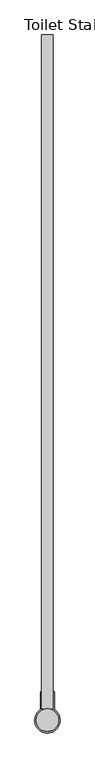
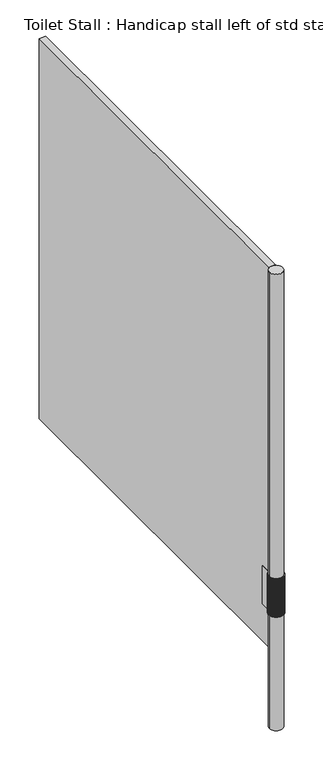
"""IFC4 building model written with IfcOpenShell, lengths in millimetres: proxy geometry, Toilet Stall : Handicap stall left of std stall."""

from ifc_helpers import new_model, si_unit, point, frame, frame_2d, origin, origin_with_axes, place, context, project, spatial, polyline, circle_curve, trimmed, segment, composite_curve, outline, extrude, faceted_brep, source, transform, mapped, element, save


def toilet_stall_handicap_stall_left_of_std_stall_e2613087(model_context):
    return source(origin(), model_context, "Body", "SolidModel", [
        faceted_brep([(-472.4935542, -1214.4375, 457.2), (-472.4935542, -1214.4375, 609.6), (-469.3185542, -1214.4375, 609.6), (-469.3185542, -1214.4375, 457.2), (-469.3185542, -1255.922836, 457.2), (-471.0324519, -1256.9923728, 457.2), (-472.7469617, -1258.2821375, 457.2), (-474.3466309, -1259.711856, 457.2), (-475.8200694, -1261.2713482, 457.2), (-477.1567857, -1262.9495098, 457.2), (-478.3472618, -1264.7343918, 457.2), (-479.3830211, -1266.6132849, 457.2), (-480.2566886, -1268.5728109, 457.2), (-480.9620435, -1270.599017, 457.2), (-481.4940632, -1272.677476, 457.2), (-481.8489598, -1274.7933884, 457.2), (-482.024206, -1276.9316881, 457.2), (-482.0185542, -1279.1157997, 457.2), (-481.819204, -1281.3250718, 457.2), (-481.4280615, -1283.5085624, 457.2), (-480.8481038, -1285.6496539, 457.2), (-480.0837446, -1287.7320512, 457.2), (-479.140801, -1289.739906, 457.2), (-478.0264496, -1291.6579375, 457.2), (-476.7491712, -1293.4715481, 457.2), (-475.3186866, -1295.1669352, 457.2), (-473.7458828, -1296.7311959, 457.2), (-472.0427296, -1298.1524253, 457.2), (-470.2221891, -1299.4198069, 457.2), (-468.2981167, -1300.5236951, 457.2), (-466.2851559, -1301.4556888, 457.2), (-464.1986263, -1302.2086948, 457.2), (-462.0544079, -1302.7769824, 457.2), (-459.8688193, -1303.1562265, 457.2), (-457.6584942, -1303.3435409, 457.2), (-455.4402545, -1303.3375, 457.2), (-453.2309824, -1303.1381497, 457.2), (-451.0474918, -1302.7470073, 457.2), (-448.9064004, -1302.1670496, 457.2), (-446.824003, -1301.4026903, 457.2), (-444.8161482, -1300.4597468, 457.2), (-442.8981167, -1299.3453954, 457.2), (-441.0845061, -1298.068117, 457.2), (-439.389119, -1296.6376324, 457.2), (-437.8248583, -1295.0648285, 457.2), (-436.4036289, -1293.3616754, 457.2), (-435.1362474, -1291.5411349, 457.2), (-434.0323591, -1289.6170625, 457.2), (-433.1003655, -1287.6041017, 457.2), (-432.3473594, -1285.5175721, 457.2), (-431.7790718, -1283.3733536, 457.2), (-431.3998277, -1281.187765, 457.2), (-431.2125133, -1278.97744, 457.2), (-431.2185542, -1276.7978504, 457.2), (-431.4050639, -1274.6605037, 457.2), (-431.7711033, -1272.5464904, 457.2), (-432.3140662, -1270.4708633, 457.2), (-433.0300865, -1268.4484014, 457.2), (-433.9140658, -1266.4935057, 457.2), (-434.9597098, -1264.6200956, 457.2), (-436.1595732, -1262.8415105, 457.2), (-437.5051125, -1261.1704148, 457.2), (-438.9867468, -1259.6187072, 457.2), (-440.5939265, -1258.1974365, 457.2), (-442.3152077, -1256.9167227, 457.2), (-443.9185542, -1255.922836, 457.2), (-443.9185542, -1214.4375, 457.2), (-440.7435542, -1214.4375, 457.2), (-440.7435542, -1254.1616628, 457.2), (-440.4098252, -1254.3699223, 457.2), (-438.4806138, -1255.8203408, 457.2), (-436.6805516, -1257.428242, 457.2), (-435.0224556, -1259.182177, 457.2), (-433.5181323, -1261.0696572, 457.2), (-432.1782928, -1263.077243, 457.2), (-431.0124775, -1265.1906396, 457.2), (-430.0289874, -1267.3947987, 457.2), (-429.2348253, -1269.674026, 457.2), (-428.6356459, -1272.0120924, 457.2), (-428.2357157, -1274.39235, 457.2), (-428.0378822, -1276.7978504, 457.2), (-428.0435542, -1279.254688, 457.2), (-428.2670912, -1281.740151, 457.2), (-428.7064, -1284.1966736, 457.2), (-429.3581371, -1286.6055601, 457.2), (-430.2173424, -1288.9484774, 457.2), (-431.2774769, -1291.2075945, 457.2), (-432.5304723, -1293.3657182, 457.2), (-433.9667925, -1295.4064239, 457.2), (-435.5755063, -1297.3141805, 457.2), (-437.3443705, -1299.0744688, 457.2), (-439.2599228, -1300.6738921, 457.2), (-441.3075848, -1302.1002776, 457.2), (-443.4717724, -1303.3427699, 457.2), (-445.7360151, -1304.3919127, 457.2), (-448.0830804, -1305.2397215, 457.2), (-450.4951059, -1305.8797438, 457.2), (-452.9537344, -1306.3071088, 457.2), (-455.4402545, -1306.518564, 457.2), (-457.9357422, -1306.5125, 457.2), (-460.4212052, -1306.288963, 457.2), (-462.8777278, -1305.8496543, 457.2), (-465.2866143, -1305.1979172, 457.2), (-467.6295316, -1304.3387118, 457.2), (-469.8886487, -1303.2785773, 457.2), (-472.0467724, -1302.0255819, 457.2), (-474.0874781, -1300.5892617, 457.2), (-475.9952347, -1298.9805479, 457.2), (-477.755523, -1297.2116837, 457.2), (-479.3549463, -1295.2961314, 457.2), (-480.7813319, -1293.2484695, 457.2), (-482.0238241, -1291.0842818, 457.2), (-483.0729669, -1288.8200391, 457.2), (-483.9207757, -1286.4729738, 457.2), (-484.560798, -1284.0609484, 457.2), (-484.988163, -1281.6023198, 457.2), (-485.1996182, -1279.1157997, 457.2), (-485.1935542, -1276.6635344, 457.2), (-484.9844172, -1274.2589904, 457.2), (-484.5733042, -1271.8806388, 457.2), (-483.9631426, -1269.5454143, 457.2), (-483.1582769, -1267.2699448, 457.2), (-482.1644381, -1265.0704324, 457.2), (-480.9887028, -1262.9625385, 457.2), (-479.6394425, -1260.9612721, 457.2), (-478.1262647, -1259.080883, 457.2), (-476.4599436, -1257.3347603, 457.2), (-474.6523441, -1255.7353371, 457.2), (-472.7163371, -1254.2940019, 457.2), (-472.4935542, -1254.1616628, 457.2), (-469.3185542, -1255.922836, 609.6), (-472.4935542, -1254.1616628, 609.6), (-472.7133342, -1254.2988139, 609.6), (-474.6489463, -1255.7398788, 609.6), (-476.456175, -1257.3389993, 609.6), (-478.1221521, -1259.0847892, 609.6), (-479.6350153, -1260.9648176, 609.6), (-480.9839924, -1262.9656982, 609.6), (-482.1594781, -1265.0731837, 609.6), (-483.1531026, -1267.2722682, 609.6), (-483.9577908, -1269.5472932, 609.6), (-484.5678131, -1271.8820597, 609.6), (-484.9788258, -1274.2599434, 609.6), (-485.1879024, -1276.6640126, 609.6), (-485.1935542, -1279.1157997, 609.6), (-484.9821221, -1281.6017913, 609.6), (-484.5548262, -1284.0598954, 609.6), (-483.9149183, -1286.4714043, 609.6), (-483.0672686, -1288.8179651, 609.6), (-482.0183283, -1291.081719, 609.6), (-480.7760803, -1293.2454375, 609.6), (-479.3499789, -1295.2926533, 609.6), (-477.7508777, -1297.2077859, 609.6), (-475.9909468, -1298.97626, 609.6), (-474.0835802, -1300.5846164, 609.6), (-472.0432943, -1302.0206146, 609.6), (-469.8856167, -1303.2733258, 609.6), (-467.6269689, -1304.333216, 609.6), (-465.2845403, -1305.1922189, 609.6), (-462.8761583, -1305.8437969, 609.6), (-460.4201522, -1306.2829911, 609.6), (-457.9352137, -1306.5064591, 609.6), (-455.4402545, -1306.5125, 609.6), (-452.954263, -1306.3010679, 609.6), (-450.4961589, -1305.8737719, 609.6), (-448.0846499, -1305.2338641, 609.6), (-445.7380891, -1304.3862144, 609.6), (-443.4743352, -1303.337274, 609.6), (-441.3106167, -1302.0950261, 609.6), (-439.2634009, -1300.6689247, 609.6), (-437.3482683, -1299.0698235, 609.6), (-435.5797942, -1297.3098926, 609.6), (-433.9714378, -1295.402526, 609.6), (-432.5354396, -1293.3622401, 609.6), (-431.2827285, -1291.2045625, 609.6), (-430.2228382, -1288.9459146, 609.6), (-429.3638353, -1286.6034861, 609.6), (-428.7122573, -1284.1951041, 609.6), (-428.2730631, -1281.739098, 609.6), (-428.0495951, -1279.2541594, 609.6), (-428.0435542, -1276.7978504, 609.6), (-428.2413675, -1274.3928282, 609.6), (-428.6412373, -1272.0130454, 609.6), (-429.2403164, -1269.675447, 609.6), (-430.0343392, -1267.3966776, 609.6), (-431.0176519, -1265.192963, 609.6), (-432.1832529, -1263.0799944, 609.6), (-433.5228427, -1261.0728169, 609.6), (-435.0268829, -1259.1857226, 609.6), (-436.6846642, -1257.4321482, 609.6), (-438.4843824, -1255.8245798, 609.6), (-440.4132231, -1254.3744639, 609.6), (-440.7435542, -1254.1616628, 609.6), (-440.7435542, -1214.4375, 609.6), (-443.9185542, -1214.4375, 609.6), (-443.9185542, -1255.922836, 609.6), (-442.3186055, -1256.9212643, 609.6), (-440.5976951, -1258.2016755, 609.6), (-438.9908594, -1259.6226134, 609.6), (-437.5095397, -1261.1739604, 609.6), (-436.1642836, -1262.8446702, 609.6), (-434.9646698, -1264.6228469, 609.6), (-433.9192401, -1266.495829, 609.6), (-433.0354383, -1268.4502803, 609.6), (-432.3195573, -1270.4722842, 609.6), (-431.7766947, -1272.5474434, 609.6), (-431.4107157, -1274.6609819, 609.6), (-431.2242262, -1276.7978504, 609.6), (-431.2185542, -1278.9769114, 609.6), (-431.4057996, -1281.186712, 609.6), (-431.7849292, -1283.3717842, 609.6), (-432.3530577, -1285.5154981, 609.6), (-433.1058613, -1287.6015389, 609.6), (-434.0376107, -1289.6140305, 609.6), (-435.1412147, -1291.5376567, 609.6), (-436.4082742, -1293.3577775, 609.6), (-437.8291462, -1295.0605406, 609.6), (-439.3930169, -1296.6329871, 609.6), (-441.0879843, -1298.0631497, 609.6), (-442.9011487, -1299.3401438, 609.6), (-444.8187109, -1300.454251, 609.6), (-446.8260771, -1301.396992, 609.6), (-448.9079698, -1302.1611922, 609.6), (-451.0485448, -1302.7410355, 609.6), (-453.231511, -1303.1321088, 609.6), (-455.4402545, -1303.331436, 609.6), (-457.6579657, -1303.3375, 609.6), (-459.8677663, -1303.1502547, 609.6), (-462.0528384, -1302.771125, 609.6), (-464.1965523, -1302.2029965, 609.6), (-466.2825931, -1301.4501929, 609.6), (-468.2950848, -1300.5184435, 609.6), (-470.2187109, -1299.4148395, 609.6), (-472.0388317, -1298.14778, 609.6), (-473.7415949, -1296.7269081, 609.6), (-475.3140413, -1295.1630374, 609.6), (-476.7442039, -1293.4680699, 609.6), (-478.0211981, -1291.6549055, 609.6), (-479.1353052, -1289.7373433, 609.6), (-480.0780463, -1287.7299772, 609.6), (-480.8422464, -1285.6480844, 609.6), (-481.4220897, -1283.5075094, 609.6), (-481.813163, -1281.3245433, 609.6), (-482.0124902, -1279.1157997, 609.6), (-482.0185542, -1276.9321663, 609.6), (-481.8433684, -1274.7943414, 609.6), (-481.4885721, -1272.678897, 609.6), (-480.9566917, -1270.6008959, 609.6), (-480.2515143, -1268.5751342, 609.6), (-479.3780611, -1266.6160362, 609.6), (-478.3425514, -1264.7375515, 609.6), (-477.1523585, -1262.9530554, 609.6), (-475.8159569, -1261.2752544, 609.6), (-474.3428623, -1259.7160951, 609.6), (-472.7435638, -1258.2866791, 609.6), (-471.0294491, -1256.9971847, 609.6)], [[[0, 1, 2, 3]], [[3, 4, 5, 6, 7, 8, 9, 10, 11, 12, 13, 14, 15, 16, 17, 18, 19, 20, 21, 22, 23, 24, 25, 26, 27, 28, 29, 30, 31, 32, 33, 34, 35, 36, 37, 38, 39, 40, 41, 42, 43, 44, 45, 46, 47, 48, 49, 50, 51, 52, 53, 54, 55, 56, 57, 58, 59, 60, 61, 62, 63, 64, 65, 66, 67, 68, 69, 70, 71, 72, 73, 74, 75, 76, 77, 78, 79, 80, 81, 82, 83, 84, 85, 86, 87, 88, 89, 90, 91, 92, 93, 94, 95, 96, 97, 98, 99, 100, 101, 102, 103, 104, 105, 106, 107, 108, 109, 110, 111, 112, 113, 114, 115, 116, 117, 118, 119, 120, 121, 122, 123, 124, 125, 126, 127, 128, 129, 0]], [[2, 130, 4, 3]], [[1, 131, 132, 133, 134, 135, 136, 137, 138, 139, 140, 141, 142, 143, 144, 145, 146, 147, 148, 149, 150, 151, 152, 153, 154, 155, 156, 157, 158, 159, 160, 161, 162, 163, 164, 165, 166, 167, 168, 169, 170, 171, 172, 173, 174, 175, 176, 177, 178, 179, 180, 181, 182, 183, 184, 185, 186, 187, 188, 189, 190, 191, 192, 193, 194, 195, 196, 197, 198, 199, 200, 201, 202, 203, 204, 205, 206, 207, 208, 209, 210, 211, 212, 213, 214, 215, 216, 217, 218, 219, 220, 221, 222, 223, 224, 225, 226, 227, 228, 229, 230, 231, 232, 233, 234, 235, 236, 237, 238, 239, 240, 241, 242, 243, 244, 245, 246, 247, 248, 249, 250, 251, 252, 253, 254, 255, 130, 2]], [[0, 129, 131, 1]], [[130, 255, 5, 4]], [[129, 128, 132, 131]], [[255, 254, 6, 5]], [[128, 127, 133, 132]], [[254, 253, 7, 6]], [[127, 126, 134, 133]], [[253, 252, 8, 7]], [[126, 125, 135, 134]], [[252, 251, 9, 8]], [[125, 124, 136, 135]], [[251, 250, 10, 9]], [[124, 123, 137, 136]], [[250, 249, 11, 10]], [[123, 122, 138, 137]], [[249, 248, 12, 11]], [[122, 121, 139, 138]], [[248, 247, 13, 12]], [[121, 120, 140, 139]], [[247, 246, 14, 13]], [[120, 119, 141, 140]], [[246, 245, 15, 14]], [[119, 118, 142, 141]], [[245, 244, 16, 15]], [[118, 117, 143, 142]], [[243, 17, 16, 244]], [[116, 144, 143, 117]], [[243, 242, 18, 17]], [[116, 115, 145, 144]], [[242, 241, 19, 18]], [[115, 114, 146, 145]], [[241, 240, 20, 19]], [[114, 113, 147, 146]], [[240, 239, 21, 20]], [[113, 112, 148, 147]], [[239, 238, 22, 21]], [[112, 111, 149, 148]], [[238, 237, 23, 22]], [[111, 110, 150, 149]], [[237, 236, 24, 23]], [[110, 109, 151, 150]], [[236, 235, 25, 24]], [[109, 108, 152, 151]], [[235, 234, 26, 25]], [[108, 107, 153, 152]], [[234, 233, 27, 26]], [[107, 106, 154, 153]], [[233, 232, 28, 27]], [[106, 105, 155, 154]], [[232, 231, 29, 28]], [[105, 104, 156, 155]], [[231, 230, 30, 29]], [[104, 103, 157, 156]], [[230, 229, 31, 30]], [[103, 102, 158, 157]], [[229, 228, 32, 31]], [[102, 101, 159, 158]], [[228, 227, 33, 32]], [[101, 100, 160, 159]], [[227, 226, 34, 33]], [[100, 99, 161, 160]], [[226, 225, 35, 34]], [[99, 98, 162, 161]], [[225, 224, 36, 35]], [[98, 97, 163, 162]], [[224, 223, 37, 36]], [[97, 96, 164, 163]], [[223, 222, 38, 37]], [[96, 95, 165, 164]], [[222, 221, 39, 38]], [[95, 94, 166, 165]], [[221, 220, 40, 39]], [[94, 93, 167, 166]], [[220, 219, 41, 40]], [[93, 92, 168, 167]], [[219, 218, 42, 41]], [[92, 91, 169, 168]], [[218, 217, 43, 42]], [[91, 90, 170, 169]], [[217, 216, 44, 43]], [[90, 89, 171, 170]], [[216, 215, 45, 44]], [[89, 88, 172, 171]], [[215, 214, 46, 45]], [[88, 87, 173, 172]], [[214, 213, 47, 46]], [[87, 86, 174, 173]], [[213, 212, 48, 47]], [[86, 85, 175, 174]], [[212, 211, 49, 48]], [[85, 84, 176, 175]], [[211, 210, 50, 49]], [[84, 83, 177, 176]], [[210, 209, 51, 50]], [[83, 82, 178, 177]], [[209, 208, 52, 51]], [[82, 81, 179, 178]], [[207, 53, 52, 208]], [[80, 180, 179, 81]], [[207, 206, 54, 53]], [[80, 79, 181, 180]], [[206, 205, 55, 54]], [[79, 78, 182, 181]], [[205, 204, 56, 55]], [[78, 77, 183, 182]], [[204, 203, 57, 56]], [[77, 76, 184, 183]], [[203, 202, 58, 57]], [[76, 75, 185, 184]], [[202, 201, 59, 58]], [[75, 74, 186, 185]], [[201, 200, 60, 59]], [[74, 73, 187, 186]], [[200, 199, 61, 60]], [[73, 72, 188, 187]], [[199, 198, 62, 61]], [[72, 71, 189, 188]], [[198, 197, 63, 62]], [[71, 70, 190, 189]], [[197, 196, 64, 63]], [[70, 69, 191, 190]], [[196, 195, 65, 64]], [[69, 68, 192, 191]], [[67, 66, 194, 193]], [[195, 194, 66, 65]], [[68, 67, 193, 192]]]),
        extrude(outline(composite_curve([segment(trimmed(circle_curve(frame_2d((-456.6185542, -1277.9375)), 25.4), [point((-482.0185542, -1277.9375))], [point((-431.2185542, -1277.9375))], False, "CARTESIAN"), True, "CONTINUOUS"), segment(trimmed(circle_curve(frame_2d((-456.6185542, -1277.9375)), 25.4), [point((-431.2185542, -1277.9375))], [point((-482.0185542, -1277.9375))], False, "CARTESIAN"), True, "CONTINUOUS")], self_intersect=False)), origin_with_axes(), (0.0, 0.0, 1.0), 1828.8),
        extrude(outline(polyline([(-443.9185542, 258.7625), (-443.9185542, -1252.5375), (-469.3185542, -1252.5375), (-469.3185542, 258.7625), (-443.9185542, 258.7625)])), frame((0.0, 0.0, 304.8), z_axis=(0.0, 0.0, 1.0), x_axis=(1.0, 0.0, 0.0)), (0.0, 0.0, 1.0), 1524.0),
    ])


if __name__ == "__main__":
    model = new_model("IFC4")
    model_context = context("Model", 3, world=origin())
    ifc_project = project(units=[si_unit("LENGTHUNIT", "METRE", prefix="MILLI")], contexts=[model_context])
    site = spatial("IfcSite", under=ifc_project)
    building = spatial("IfcBuilding", under=site)
    placement = place(None, origin())
    toilet_stall_handicap_stall_left_of_std_stall_shape = toilet_stall_handicap_stall_left_of_std_stall_e2613087(model_context)
    element("IfcBuildingElementProxy", 1, Name="Toilet Stall : Handicap stall left of std stall", ObjectType="Toilet Stall : Handicap stall left of std stall", at=placement, inside=building, context=model_context, shape_type="MappedRepresentation", body=[
        mapped(toilet_stall_handicap_stall_left_of_std_stall_shape, transform((0.0, 0.0, 0.0), x_axis=(1.0, 0.0, 0.0), y_axis=(0.0, 1.0, 0.0), z_axis=(0.0, 0.0, 1.0))),
    ])
    save(model, "model.ifc")
